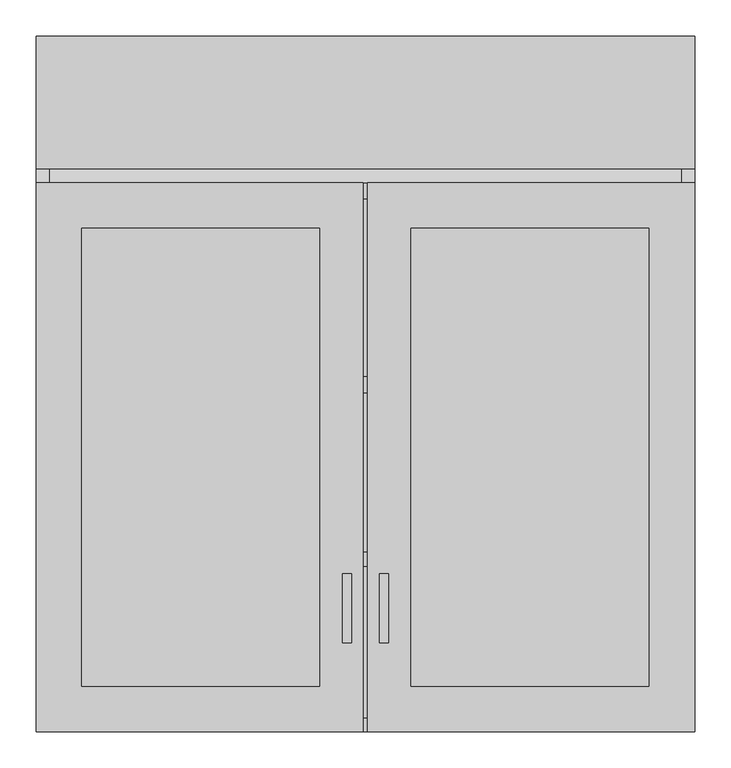
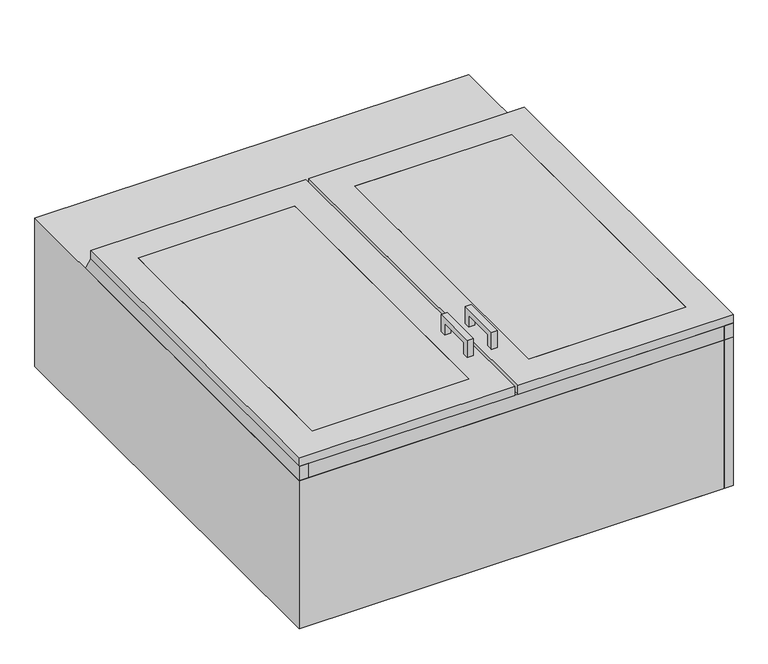
"""IFC4 building model written with IfcOpenShell, lengths in millimetres: proxy geometry."""

import ifcopenshell
import ifcopenshell.guid

model = None  # the IFC model being written
_history = None  # IfcOwnerHistory: only IFC2X3 demands one
_inside = {}  # id of a spatial element -> (the spatial element, [elements in it])
_under = {}  # id of a project, library or spatial element -> (it, [spatial elements below it])
_declared = {}  # id of a project -> (the project, [libraries it declares])
_typed = {}  # id of a type object -> (the type object, [elements of that type])
_made_of = {}  # id of a material, layer set ... -> (it, [elements and type objects made of it])


def new_model(schema):
    """Start an empty IFC model of exactly this schema.

    Asked for "IFC4X3", IfcOpenShell would pick the latest addendum, in which some entities
    have other attributes; the version numbers below select the first issue.
    IFC2X3 requires an IfcOwnerHistory on every rooted entity: one is made here for all.
    """
    global model, _history
    if schema == "IFC4X3":
        model = ifcopenshell.file(schema_version=(4, 3, 0, 0))
    else:
        model = ifcopenshell.file(schema=schema)
    _inside.clear()
    _under.clear()
    _declared.clear()
    _typed.clear()
    _made_of.clear()
    _history = None
    if model.schema == "IFC2X3":
        org = make("IfcOrganization", Name="unknown")
        user = make(
            "IfcPersonAndOrganization",
            ThePerson=make("IfcPerson", FamilyName="unknown"),
            TheOrganization=org,
        )
        app = make(
            "IfcApplication",
            ApplicationDeveloper=org,
            Version="unknown",
            ApplicationFullName="unknown",
            ApplicationIdentifier="unknown",
        )
        _history = make(
            "IfcOwnerHistory",
            OwningUser=user,
            OwningApplication=app,
            ChangeAction="ADDED",
            CreationDate=0,
        )
    return model


def make(cls, **values):
    """One entity of the class cls with the attributes given. An attribute that is None is left unset."""
    return model.create_entity(
        cls, **{name: value for name, value in values.items() if value is not None}
    )


def rooted(cls, **values):
    """An entity with a GlobalId (a new one), such as an element, a storey or a relation."""
    return make(cls, GlobalId=ifcopenshell.guid.new(), OwnerHistory=_history, **values)


def si_unit(unit_type, name, prefix=None):
    """IfcSIUnit, for example si_unit("LENGTHUNIT", "METRE", prefix="MILLI")."""
    return make("IfcSIUnit", UnitType=unit_type, Prefix=prefix, Name=name)


def assignment(units):
    """IfcUnitAssignment: the units of a project."""
    return None if units is None else make("IfcUnitAssignment", Units=units)


def point(xyz):
    """IfcCartesianPoint."""
    return None if xyz is None else make("IfcCartesianPoint", Coordinates=xyz)


def direction(xyz):
    """IfcDirection."""
    return None if xyz is None else make("IfcDirection", DirectionRatios=xyz)


def frame(location, z_axis=None, x_axis=None):
    """IfcAxis2Placement3D, a coordinate frame: its origin and axes. An axis left out is left unset."""
    return make(
        "IfcAxis2Placement3D",
        Location=point(location),
        Axis=direction(z_axis),
        RefDirection=direction(x_axis),
    )


def origin():
    """The frame at (0, 0, 0) with its axes left unset."""
    return frame((0.0, 0.0, 0.0))


def origin_with_axes():
    """The frame at (0, 0, 0) with the z axis (0, 0, 1) and the x axis (1, 0, 0) written out."""
    return frame((0.0, 0.0, 0.0), z_axis=(0.0, 0.0, 1.0), x_axis=(1.0, 0.0, 0.0))


def place(relative_to, where):
    """IfcLocalPlacement: puts the frame where relative to a parent placement (None: the world)."""
    return make(
        "IfcLocalPlacement", PlacementRelTo=relative_to, RelativePlacement=where
    )


def context(
    kind, dimensions, precision=None, world=None, true_north=None, identifier=None
):
    """IfcGeometricRepresentationContext, for example the 3D "Model" context."""
    return make(
        "IfcGeometricRepresentationContext",
        ContextIdentifier=identifier,
        ContextType=kind,
        CoordinateSpaceDimension=dimensions,
        Precision=precision,
        WorldCoordinateSystem=world,
        TrueNorth=true_north,
    )


def project(units=None, contexts=None):
    """IfcProject with its units and contexts."""
    return rooted(
        "IfcProject",
        Name="project",
        RepresentationContexts=contexts,
        UnitsInContext=assignment(units),
    )


def spatial(cls, under=None, at=None, **own):
    """A site, building, storey or space (cls), placed at a placement, below another one or the project."""
    s = rooted(cls, ObjectPlacement=at, **own)
    if under is not None:
        _under.setdefault(under.id(), (under, []))[1].append(s)
    return s


def polyline(points):
    """IfcPolyline through the points."""
    return make("IfcPolyline", Points=[point(p) for p in points])


def outline(outer, holes=None, kind="AREA"):
    """IfcArbitraryClosedProfileDef: a profile drawn as a closed curve; with holes, ...WithVoids."""
    if holes is None:
        return make("IfcArbitraryClosedProfileDef", ProfileType=kind, OuterCurve=outer)
    return make(
        "IfcArbitraryProfileDefWithVoids",
        ProfileType=kind,
        OuterCurve=outer,
        InnerCurves=holes,
    )


def extrude(swept, where, along, depth):
    """IfcExtrudedAreaSolid: the profile swept, set in the frame where, extruded along a direction by depth."""
    return make(
        "IfcExtrudedAreaSolid",
        SweptArea=swept,
        Position=where,
        ExtrudedDirection=direction(along),
        Depth=depth,
    )


def shape(context_of_items, identifier, shape_type, items):
    """IfcShapeRepresentation: the items that make up one representation, for example the "Body"."""
    return make(
        "IfcShapeRepresentation",
        ContextOfItems=context_of_items,
        RepresentationIdentifier=identifier,
        RepresentationType=shape_type,
        Items=items,
    )


def source(mapping_origin, context_of_items, identifier, shape_type, items):
    """IfcRepresentationMap: a shape defined once, which mapped items show again and again."""
    return make(
        "IfcRepresentationMap",
        MappingOrigin=mapping_origin,
        MappedRepresentation=shape(context_of_items, identifier, shape_type, items),
    )


def transform(
    local_origin,
    x_axis=None,
    y_axis=None,
    z_axis=None,
    scale=None,
    scale2=None,
    scale3=None,
    uniform=True,
):
    """IfcCartesianTransformationOperator3D, or its non-uniform kind. x_axis, y_axis, z_axis: its Axis1, 2, 3."""
    if uniform:
        return make(
            "IfcCartesianTransformationOperator3D",
            Axis1=direction(x_axis),
            Axis2=direction(y_axis),
            LocalOrigin=point(local_origin),
            Scale=scale,
            Axis3=direction(z_axis),
        )
    return make(
        "IfcCartesianTransformationOperator3DnonUniform",
        Axis1=direction(x_axis),
        Axis2=direction(y_axis),
        LocalOrigin=point(local_origin),
        Scale=scale,
        Axis3=direction(z_axis),
        Scale2=scale2,
        Scale3=scale3,
    )


def mapped(mapping_source, mapping_target):
    """IfcMappedItem: shows the shape of a source again, moved by a transform."""
    return make(
        "IfcMappedItem", MappingSource=mapping_source, MappingTarget=mapping_target
    )


def made_of(thing, what):
    """Note that an element or type object is made of a material, layer set ...; save() writes the relation."""
    if what is not None:
        _made_of.setdefault(what.id(), (what, []))[1].append(thing)
    return thing


def element(
    cls,
    number,
    at=None,
    inside=None,
    cuts=None,
    type_object=None,
    material=None,
    context=None,
    identifier="Body",
    shape_type=None,
    held_by="IfcProductDefinitionShape",
    body=None,
    shapes=None,
    **own,
):
    """One element of the class cls, such as IfcWall. Its Tag is "e" and its number.

    at: its placement. inside: the storey or other place that contains it. cuts: it is an
    opening in that element (IfcRelVoidsElement). A single representation is given by context,
    identifier, shape_type and body (its items); several are given by shapes. held_by: the class
    of the entity that holds the representations. save() writes the other relations.
    """
    e = rooted(cls, Tag="e%d" % number, ObjectPlacement=at, **own)
    if body is not None:
        shapes = [shape(context, identifier, shape_type, body)]
    if shapes is not None:
        e.Representation = make(held_by, Representations=shapes)
    if inside is not None:
        _inside.setdefault(inside.id(), (inside, []))[1].append(e)
    if cuts is not None:
        rooted(
            "IfcRelVoidsElement", RelatingBuildingElement=cuts, RelatedOpeningElement=e
        )
    if type_object is not None:
        _typed.setdefault(type_object.id(), (type_object, []))[1].append(e)
    return made_of(e, material)


def aggregate(whole, parts):
    """IfcRelAggregates: a whole, such as a stair, and the parts it consists of."""
    return rooted("IfcRelAggregates", RelatingObject=whole, RelatedObjects=parts)


def save(model, path):
    """Write the relations noted so far, then the file.

    IfcRelAggregates (storeys below a building ...), IfcRelContainedInSpatialStructure (elements
    in a storey), IfcRelDefinesByType, IfcRelAssociatesMaterial and IfcRelDeclares: one each for
    every whole, place, type object, material and project.
    """
    for whole, parts in _under.values():
        aggregate(whole, parts)
    for where, things in _inside.values():
        rooted(
            "IfcRelContainedInSpatialStructure",
            RelatedElements=things,
            RelatingStructure=where,
        )
    for kind, things in _typed.values():
        rooted("IfcRelDefinesByType", RelatedObjects=things, RelatingType=kind)
    for what, things in _made_of.values():
        rooted("IfcRelAssociatesMaterial", RelatedObjects=things, RelatingMaterial=what)
    for by, libraries in _declared.values():
        rooted("IfcRelDeclares", RelatingContext=by, RelatedDefinitions=libraries)
    model.write(path)


def specialty_equipment_656b94b3(model_context):
    return source(origin(), model_context, "Body", "SweptSolid", [
        extrude(outline(polyline([(965.2, 19.05), (943.0563437, 19.05), (739.8563437, 361.95), (762.0, 361.95), (965.2, 19.05)])), frame((-438.15, 0.0, 0.0), z_axis=(1.0, 0.0, 0.0), x_axis=(0.0, 1.0, 0.0)), (0.0, 0.0, 1.0), 876.3),
        extrude(outline(polyline([(219.0655468, 419.0810937), (219.0655468, 381.0), (206.3958968, 381.0), (206.3958968, 406.4114436), (136.5230095, 406.4114436), (136.5230095, 381.0), (123.8533595, 381.0), (123.8533595, 419.0810937), (219.0655468, 419.0810937)])), frame((-31.4565288, 0.0, 0.0), z_axis=(1.0, 0.0, 0.0), x_axis=(0.0, 1.0, 0.0)), (0.0, 0.0, 1.0), 12.4023438),
        extrude(outline(polyline([(219.0655468, 419.0810937), (219.0655468, 381.0), (206.3958968, 381.0), (206.3958968, 406.4114436), (136.5230095, 406.4114436), (136.5230095, 381.0), (123.8533595, 381.0), (123.8533595, 419.0810937), (219.0655468, 419.0810937)])), frame((19.3476563, 0.0, 0.0), z_axis=(1.0, 0.0, 0.0), x_axis=(0.0, 1.0, 0.0)), (0.0, 0.0, 1.0), 12.4023438),
        extrude(outline(polyline([(457.2, 965.2), (457.2, 0.0), (-457.2, 0.0), (-457.2, 965.2), (457.2, 965.2)])), origin_with_axes(), (0.0, 0.0, 1.0), 330.2),
        extrude(outline(polyline([(762.0, 0.0), (0.0, 0.0), (0.0, 361.95), (762.0, 361.95), (965.2, 19.05), (965.2, 0.0), (762.0, 0.0)])), frame((438.15, 0.0, 0.0), z_axis=(1.0, 0.0, 0.0), x_axis=(0.0, 1.0, 0.0)), (0.0, 0.0, 1.0), 19.05),
        extrude(outline(polyline([(965.2, 0.0), (0.0, 0.0), (0.0, 361.95), (762.0, 361.95), (965.2, 19.05), (965.2, 0.0)])), frame((-457.2, 0.0, 0.0), z_axis=(1.0, 0.0, 0.0), x_axis=(0.0, 1.0, 0.0)), (0.0, 0.0, 1.0), 19.05),
        extrude(outline(polyline([(393.7, 63.5), (63.5, 63.5), (63.5, 698.5), (393.7, 698.5), (393.7, 63.5)])), frame((0.0, 0.0, 374.65), z_axis=(0.0, 0.0, 1.0), x_axis=(1.0, 0.0, 0.0)), (0.0, 0.0, 1.0), 6.35),
        extrude(outline(polyline([(-63.5, 63.5), (-393.7, 63.5), (-393.7, 698.5), (-63.5, 698.5), (-63.5, 63.5)])), frame((0.0, 0.0, 374.65), z_axis=(0.0, 0.0, 1.0), x_axis=(1.0, 0.0, 0.0)), (0.0, 0.0, 1.0), 6.35),
        extrude(outline(polyline([(457.2, 0.0), (3.175, 0.0), (3.175, 762.0), (457.2, 762.0), (457.2, 0.0)]), holes=[polyline([(393.7, 63.5), (393.7, 698.5), (63.5, 698.5), (63.5, 63.5), (393.7, 63.5)])]), frame((0.0, 0.0, 361.95), z_axis=(0.0, 0.0, 1.0), x_axis=(1.0, 0.0, 0.0)), (0.0, 0.0, 1.0), 19.05),
        extrude(outline(polyline([(438.15, 470.4491105), (-438.15, 470.4491105), (-438.15, 492.3899118), (438.15, 492.3899118), (438.15, 470.4491105)])), frame((0.0, 0.0, 19.05), z_axis=(0.0, 0.0, 1.0), x_axis=(1.0, 0.0, 0.0)), (0.0, 0.0, 1.0), 342.9),
        extrude(outline(polyline([(438.15, 229.9011198), (-438.15, 229.9011198), (-438.15, 249.0078655), (438.15, 249.0078655), (438.15, 229.9011198)])), frame((0.0, 0.0, 19.05), z_axis=(0.0, 0.0, 1.0), x_axis=(1.0, 0.0, 0.0)), (0.0, 0.0, 1.0), 342.9),
        extrude(outline(polyline([(-3.175, 0.0), (-457.2, 0.0), (-457.2, 762.0), (-3.175, 762.0), (-3.175, 0.0)]), holes=[polyline([(-63.5, 63.5), (-63.5, 698.5), (-393.7, 698.5), (-393.7, 63.5), (-63.5, 63.5)])]), frame((0.0, 0.0, 361.95), z_axis=(0.0, 0.0, 1.0), x_axis=(1.0, 0.0, 0.0)), (0.0, 0.0, 1.0), 19.05),
        extrude(outline(polyline([(438.15, 965.2), (438.15, 19.05), (-438.15, 19.05), (-438.15, 965.2), (438.15, 965.2)])), origin_with_axes(), (0.0, 0.0, 1.0), 19.05),
        extrude(outline(polyline([(-438.15, 19.05), (438.15, 19.05), (438.15, 0.0), (-438.15, 0.0), (-438.15, 19.05)])), origin_with_axes(), (0.0, 0.0, 1.0), 361.95),
    ])


if __name__ == "__main__":
    model = new_model("IFC4")
    model_context = context("Model", 3, world=origin())
    ifc_project = project(units=[si_unit("LENGTHUNIT", "METRE", prefix="MILLI")], contexts=[model_context])
    site = spatial("IfcSite", under=ifc_project)
    building = spatial("IfcBuilding", under=site)
    placement = place(None, origin())
    specialty_equipment_shape = specialty_equipment_656b94b3(model_context)
    element("IfcBuildingElementProxy", 1, Name="Specialty Equipment", at=placement, inside=building, context=model_context, shape_type="MappedRepresentation", body=[
        mapped(specialty_equipment_shape, transform((0.0, 0.0, 0.0), x_axis=(1.0, 0.0, 0.0), y_axis=(0.0, 1.0, 0.0), z_axis=(0.0, 0.0, 1.0))),
    ])
    save(model, "model.ifc")
